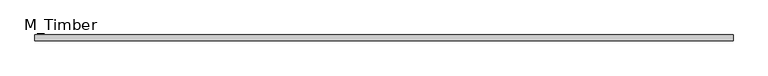
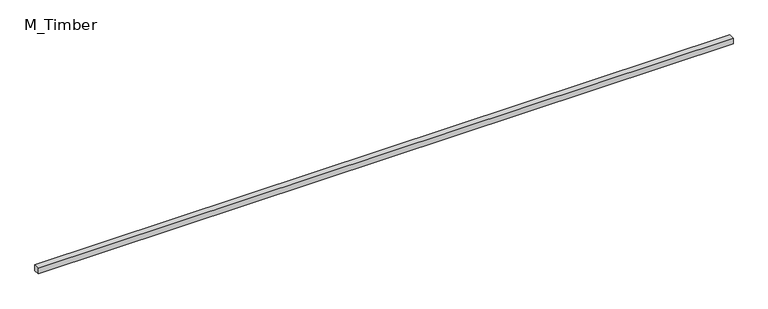
"""IFC4 building model written with IfcOpenShell, lengths in millimetres: beam geometry, M_Timber."""

from ifc_helpers import new_model, si_unit, frame, origin, place, context, project, spatial, polyline, outline, extrude, source, transform, mapped, element, save


def m_timber_a00fa440(model_context):
    return source(origin(), model_context, "Body", "SweptSolid", [
        extrude(outline(polyline([(2347.2052017, 20.0), (2347.2052017, -20.0), (-2347.2052017, -20.0), (-2347.2052017, 20.0), (2347.2052017, 20.0)])), frame((0.0, 0.0, -20.0), z_axis=(0.0, 0.0, 1.0), x_axis=(1.0, 0.0, 0.0)), (0.0, 0.0, 1.0), 40.0),
    ])


if __name__ == "__main__":
    model = new_model("IFC4")
    model_context = context("Model", 3, world=origin())
    ifc_project = project(units=[si_unit("LENGTHUNIT", "METRE", prefix="MILLI")], contexts=[model_context])
    site = spatial("IfcSite", under=ifc_project)
    building = spatial("IfcBuilding", under=site)
    placement = place(None, origin())
    m_timber_shape = m_timber_a00fa440(model_context)
    element("IfcBeam", 1, ObjectType="M_Timber", at=placement, inside=building, context=model_context, shape_type="MappedRepresentation", body=[
        mapped(m_timber_shape, transform((0.0, 0.0, 0.0), x_axis=(1.0, 0.0, 0.0), y_axis=(0.0, 1.0, 0.0), z_axis=(0.0, 0.0, 1.0))),
    ])
    save(model, "model.ifc")
